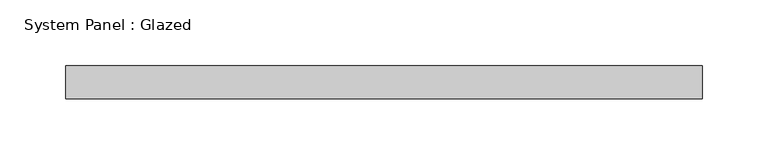
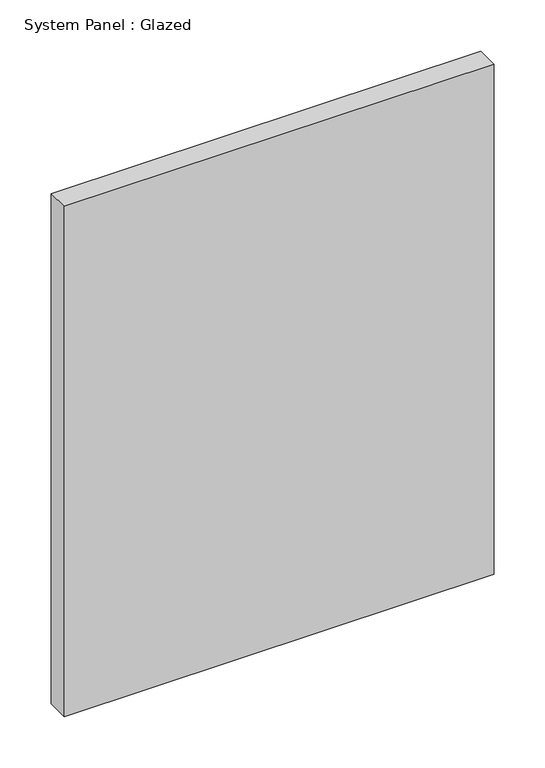
"""IFC4 building model written with IfcOpenShell, lengths in millimetres: plate geometry, System Panel : Glazed."""

from ifc_helpers import new_model, si_unit, origin, origin_with_axes, place, context, project, spatial, polyline, outline, extrude, source, transform, mapped, element, save


def system_panel_glazed_9818b864(model_context):
    return source(origin(), model_context, "Body", "SweptSolid", [
        extrude(outline(polyline([(242.8875, -44.45), (-242.8875, -44.45), (-242.8875, -19.05), (242.8875, -19.05), (242.8875, -44.45)])), origin_with_axes(), (0.0, 0.0, 1.0), 609.6),
    ])


if __name__ == "__main__":
    model = new_model("IFC4")
    model_context = context("Model", 3, world=origin())
    ifc_project = project(units=[si_unit("LENGTHUNIT", "METRE", prefix="MILLI")], contexts=[model_context])
    site = spatial("IfcSite", under=ifc_project)
    building = spatial("IfcBuilding", under=site)
    placement = place(None, origin())
    system_panel_glazed_shape = system_panel_glazed_9818b864(model_context)
    element("IfcPlate", 1, ObjectType="System Panel : Glazed", at=placement, inside=building, context=model_context, shape_type="MappedRepresentation", body=[
        mapped(system_panel_glazed_shape, transform((0.0, 0.0, 0.0), x_axis=(1.0, 0.0, 0.0), y_axis=(0.0, 1.0, 0.0), z_axis=(0.0, 0.0, 1.0))),
    ])
    save(model, "model.ifc")
